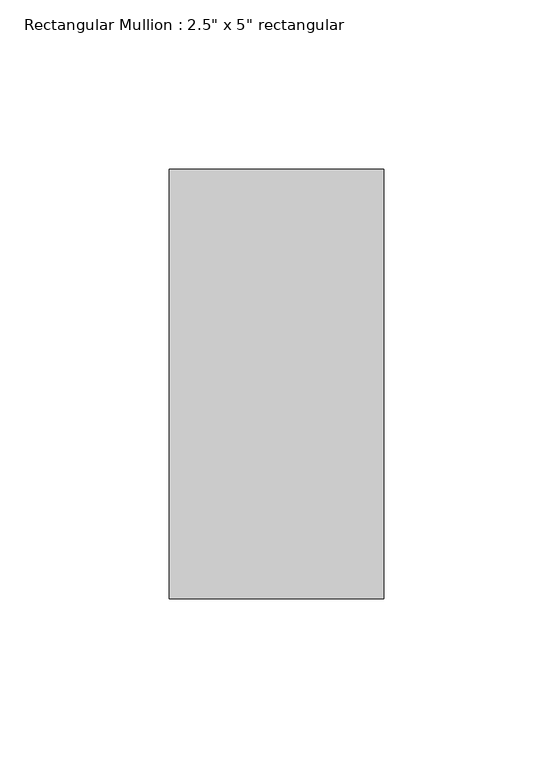
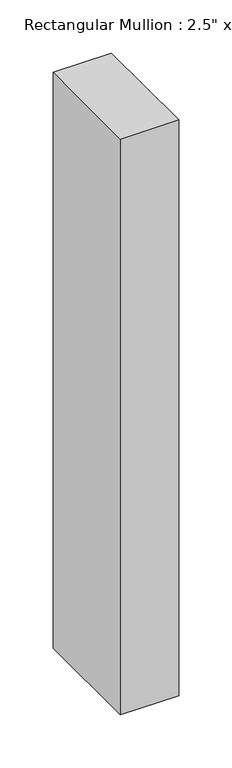
"""IFC4 building model written with IfcOpenShell, lengths in millimetres: member geometry."""

from ifc_helpers import new_model, si_unit, frame, origin, place, context, project, spatial, polyline, outline, extrude, source, transform, mapped, element, save


def member_ea984906(model_context):
    return source(origin(), model_context, "Body", "SweptSolid", [
        extrude(outline(polyline([(31.75, 63.5), (31.75, -63.5), (-31.75, -63.5), (-31.75, 63.5), (31.75, 63.5)])), frame((0.0, 0.0, -662.5166667), z_axis=(0.0, 0.0, 1.0), x_axis=(1.0, 0.0, 0.0)), (0.0, 0.0, 1.0), 662.5166667),
    ])


if __name__ == "__main__":
    model = new_model("IFC4")
    model_context = context("Model", 3, world=origin())
    ifc_project = project(units=[si_unit("LENGTHUNIT", "METRE", prefix="MILLI")], contexts=[model_context])
    site = spatial("IfcSite", under=ifc_project)
    building = spatial("IfcBuilding", under=site)
    placement = place(None, origin())
    member_shape = member_ea984906(model_context)
    element("IfcMember", 1, ObjectType="Rectangular Mullion : 2.5\" x 5\" rectangular", at=placement, inside=building, context=model_context, shape_type="MappedRepresentation", body=[
        mapped(member_shape, transform((0.0, 0.0, 0.0), x_axis=(1.0, 0.0, 0.0), y_axis=(0.0, 1.0, 0.0), z_axis=(0.0, 0.0, 1.0))),
    ])
    save(model, "model.ifc")
